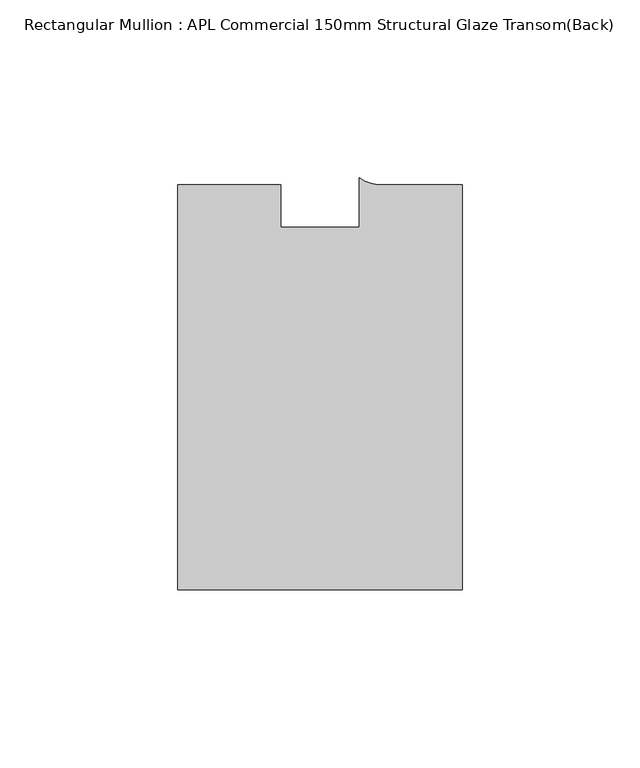
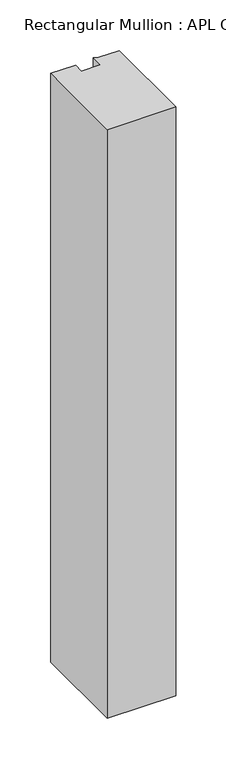
"""IFC4 building model written with IfcOpenShell, lengths in millimetres: member geometry, Rectangular Mullion : APL Commercial 150mm Structural Glaze Transom(Back)."""

from ifc_helpers import new_model, si_unit, point, frame, frame_2d, origin, place, context, project, spatial, polyline, circle_curve, trimmed, segment, composite_curve, outline, extrude, source, transform, mapped, element, save


def rectangular_mullion_apl_commercial_150mm_structural_glaze_aaa58f30(model_context):
    return source(origin(), model_context, "Body", "SweptSolid", [
        extrude(outline(composite_curve([segment(polyline([(40.0, -128.9999975), (-40.0, -128.9999975), (-40.0, -15.0000829), (-11.0000151, -15.0000829), (-11.0000151, -27.0), (11.0000151, -27.0), (11.0000151, -13.0673455)]), True, "CONTINUOUS"), segment(trimmed(circle_curve(frame_2d((17.1097719, -4.581653)), 10.4563907), [point((11.0000151, -13.0673455))], [point((17.9999542, -15.0000829))], True, "CARTESIAN"), True, "CONTINUOUS"), segment(polyline([(17.9999542, -15.0000829), (40.0, -15.0000829), (40.0, -128.9999975)]), True, "CONTINUOUS")], self_intersect=False)), frame((0.0, 0.0, -724.000019), z_axis=(0.0, 0.0, 1.0), x_axis=(1.0, 0.0, 0.0)), (0.0, 0.0, 1.0), 724.000019),
    ])


if __name__ == "__main__":
    model = new_model("IFC4")
    model_context = context("Model", 3, world=origin())
    ifc_project = project(units=[si_unit("LENGTHUNIT", "METRE", prefix="MILLI")], contexts=[model_context])
    site = spatial("IfcSite", under=ifc_project)
    building = spatial("IfcBuilding", under=site)
    placement = place(None, origin())
    rectangular_mullion_apl_commercial_150mm_structural_glaze_shape = rectangular_mullion_apl_commercial_150mm_structural_glaze_aaa58f30(model_context)
    element("IfcMember", 1, ObjectType="Rectangular Mullion : APL Commercial 150mm Structural Glaze Transom(Back)", at=placement, inside=building, context=model_context, shape_type="MappedRepresentation", body=[
        mapped(rectangular_mullion_apl_commercial_150mm_structural_glaze_shape, transform((0.0, 0.0, 0.0), x_axis=(1.0, 0.0, 0.0), y_axis=(0.0, 1.0, 0.0), z_axis=(0.0, 0.0, 1.0))),
    ])
    save(model, "model.ifc")
